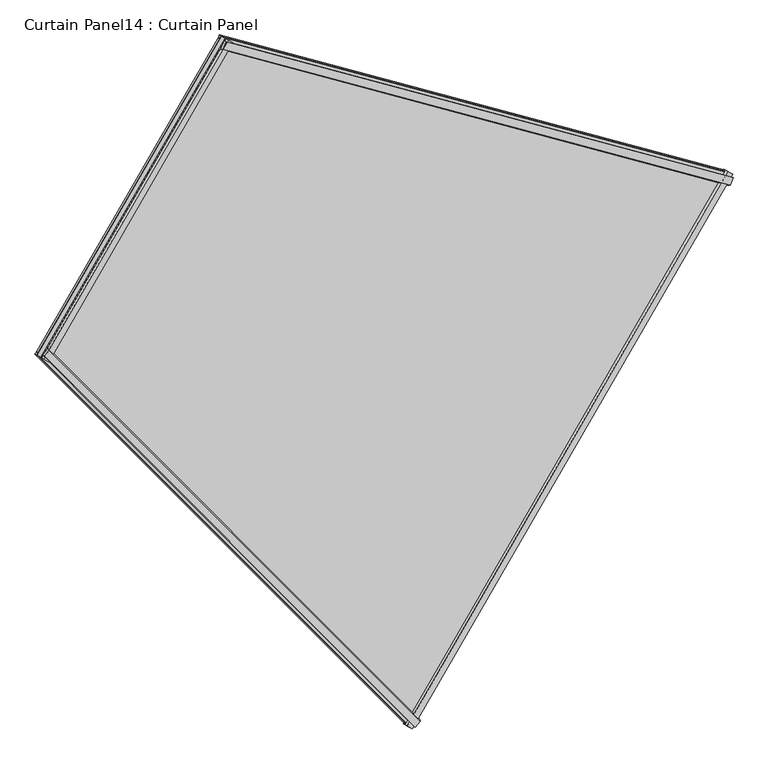
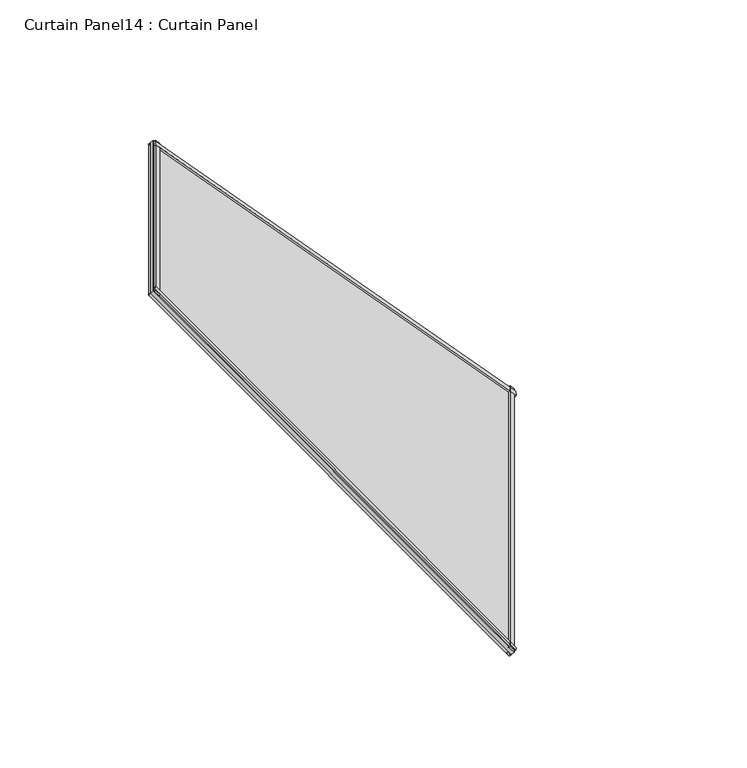
"""IFC4 building model written with IfcOpenShell, lengths in millimetres: plate geometry, Curtain Panel14 : Curtain Panel."""

from ifc_helpers import new_model, si_unit, frame, origin, place, context, project, spatial, polyline, outline, extrude, source, transform, mapped, element, save


def curtain_panel14_curtain_panel_74894f86(model_context):
    return source(origin(), model_context, "Body", "SweptSolid", [
        extrude(outline(polyline([(22.3831196, -5.9476601), (22.4361731, -22.5325479), (17.5121093, -25.3444409), (17.5121093, -5.963242), (22.3831196, -5.9476601)])), frame((-9669.7559094, -14392.4103836, 2447.9025634), z_axis=(-0.6830127018922171, 0.18301270189222468, 0.7071067811865483), x_axis=(0.6228927525104945, -0.359627298338206, 0.6947465906068652)), (0.0, 0.0, 1.0), 1550.2696742),
        extrude(outline(polyline([(-2.3405704, 0.0), (4.7128906, 0.0), (4.7128906, -11.3518128), (-0.0198592, -12.2485207), (-2.3405704, 0.0)])), frame((-9669.7559094, -14392.4103836, 2447.9025634), z_axis=(-0.6830127018922171, 0.18301270189222468, 0.7071067811865483), x_axis=(0.6228927525104945, -0.359627298338206, 0.6947465906068652)), (0.0, 0.0, 1.0), 1550.2696742),
        extrude(outline(polyline([(22.3831197, 5.9476602), (17.5121094, 5.9632421), (17.5121094, 25.3444409), (22.4361731, 22.5325479), (22.3831197, 5.9476602)])), frame((-10338.2750766, -15550.319547, 2447.9025634), z_axis=(-0.5000000000000034, 0.49999999999999367, 0.7071067811865497), x_axis=(0.6228927525104944, -0.3596272983382059, 0.6947465906068652)), (0.0, 0.0, 1.0), 1550.2696742),
        extrude(outline(polyline([(-2.3405704, 0.0), (-0.0198592, 12.2485207), (4.7128907, 11.3518128), (4.7128906, 0.0), (-2.3405704, 0.0)])), frame((-10338.2750766, -15550.319547, 2447.9025634), z_axis=(-0.5000000000000034, 0.49999999999999367, 0.7071067811865497), x_axis=(0.6228927525104944, -0.3596272983382059, 0.6947465906068652)), (0.0, 0.0, 1.0), 1550.2696742),
        extrude(outline(polyline([(4.7128906, 0.0), (4.7128906, -13.7689417), (-0.0072961, -12.7820367), (-2.884415, -2.033638), (4.7128906, 0.0)])), frame((-10338.4011953, -15550.116243, 2448.1208762), z_axis=(0.5000000000000069, 0.8660254037844348, 0.0), x_axis=(0.6228927525104944, -0.3596272983382059, 0.6947465906068653)), (0.0, 0.0, 1.0), 1336.8123203),
        extrude(outline(polyline([(22.4691869, -21.8874309), (17.5121094, -24.3595661), (17.5121094, -3.9575953), (22.473391, -5.2216894), (22.4691869, -21.8874309)])), frame((-10338.4011953, -15550.116243, 2448.1208762), z_axis=(0.5000000000000069, 0.8660254037844348, 0.0), x_axis=(0.6228927525104944, -0.3596272983382059, 0.6947465906068653)), (0.0, 0.0, 1.0), 1336.8123203),
        extrude(outline(polyline([(4.7128906, 0.0), (-2.884415, 2.0336379), (-0.0072961, 12.7820366), (4.7128906, 13.7689417), (4.7128906, 0.0)])), frame((-11113.5360324, -14774.9814059, 3544.3270755), z_axis=(0.5000000000000072, 0.8660254037844344, 0.0), x_axis=(0.6228927525104944, -0.3596272983382059, 0.6947465906068652)), (0.0, 0.0, 1.0), 769.3742368),
        extrude(outline(polyline([(22.4691869, 21.8874308), (22.473391, 5.2216894), (17.5121094, 3.9575953), (17.5121094, 24.3595661), (22.4691869, 21.8874308)])), frame((-11113.5360324, -14774.9814059, 3544.3270755), z_axis=(0.5000000000000072, 0.8660254037844344, 0.0), x_axis=(0.6228927525104944, -0.3596272983382059, 0.6947465906068652)), (0.0, 0.0, 1.0), 769.3742368),
        extrude(outline(polyline([(-15.9796989, 0.0), (-260.6540153, -1314.3453921), (-1707.0753127, -756.4910265), (-1566.2493731, 0.0), (-15.9796989, 0.0)])), frame((-9656.1168207, -14396.9732521, 2440.0957875), z_axis=(0.6228927525104945, -0.3596272983382059, 0.6947465906068652), x_axis=(0.6830127018922174, -0.18301270189222385, -0.7071067811865482)), (0.0, 0.0, 1.0), 12.7992188),
    ])


if __name__ == "__main__":
    model = new_model("IFC4")
    model_context = context("Model", 3, world=origin())
    ifc_project = project(units=[si_unit("LENGTHUNIT", "METRE", prefix="MILLI")], contexts=[model_context])
    site = spatial("IfcSite", under=ifc_project)
    building = spatial("IfcBuilding", under=site)
    placement = place(None, origin())
    curtain_panel14_curtain_panel_shape = curtain_panel14_curtain_panel_74894f86(model_context)
    element("IfcPlate", 1, ObjectType="Curtain Panel14 : Curtain Panel", at=placement, inside=building, context=model_context, shape_type="MappedRepresentation", body=[
        mapped(curtain_panel14_curtain_panel_shape, transform((0.0, 0.0, 0.0), x_axis=(1.0, 0.0, 0.0), y_axis=(0.0, 1.0, 0.0), z_axis=(0.0, 0.0, 1.0))),
    ])
    save(model, "model.ifc")
